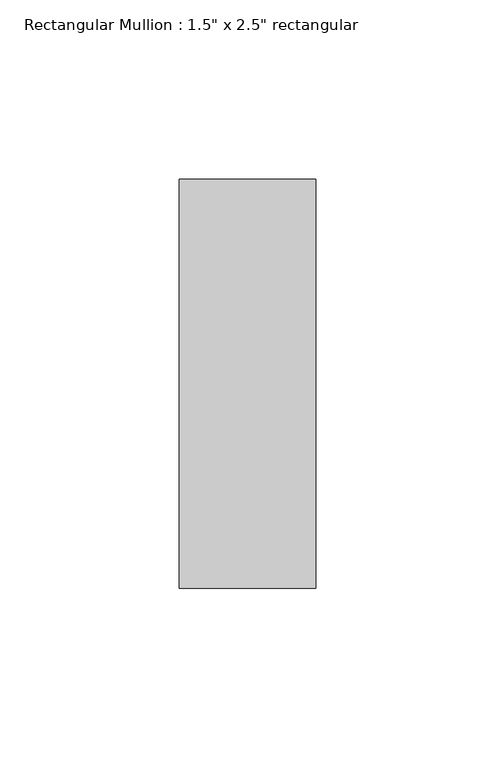
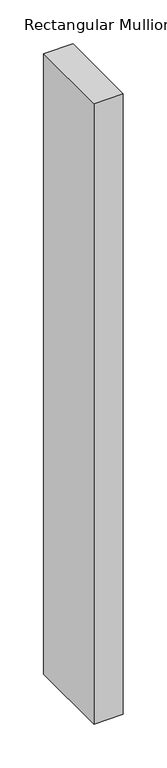
"""IFC4 building model written with IfcOpenShell, lengths in millimetres: member geometry."""

from ifc_helpers import new_model, si_unit, frame, origin, place, context, project, spatial, polyline, outline, extrude, source, transform, mapped, element, save


def member_e6e2c493(model_context):
    return source(origin(), model_context, "Body", "SweptSolid", [
        extrude(outline(polyline([(0.0, 57.15), (0.0, -57.15), (-38.1, -57.15), (-38.1, 57.15), (0.0, 57.15)])), frame((0.0, 0.0, -861.1669147), z_axis=(0.0, 0.0, 1.0), x_axis=(1.0, 0.0, 0.0)), (0.0, 0.0, 1.0), 861.1669147),
    ])


if __name__ == "__main__":
    model = new_model("IFC4")
    model_context = context("Model", 3, world=origin())
    ifc_project = project(units=[si_unit("LENGTHUNIT", "METRE", prefix="MILLI")], contexts=[model_context])
    site = spatial("IfcSite", under=ifc_project)
    building = spatial("IfcBuilding", under=site)
    placement = place(None, origin())
    member_shape = member_e6e2c493(model_context)
    element("IfcMember", 1, ObjectType="Rectangular Mullion : 1.5\" x 2.5\" rectangular", at=placement, inside=building, context=model_context, shape_type="MappedRepresentation", body=[
        mapped(member_shape, transform((0.0, 0.0, 0.0), x_axis=(1.0, 0.0, 0.0), y_axis=(0.0, 1.0, 0.0), z_axis=(0.0, 0.0, 1.0))),
    ])
    save(model, "model.ifc")
